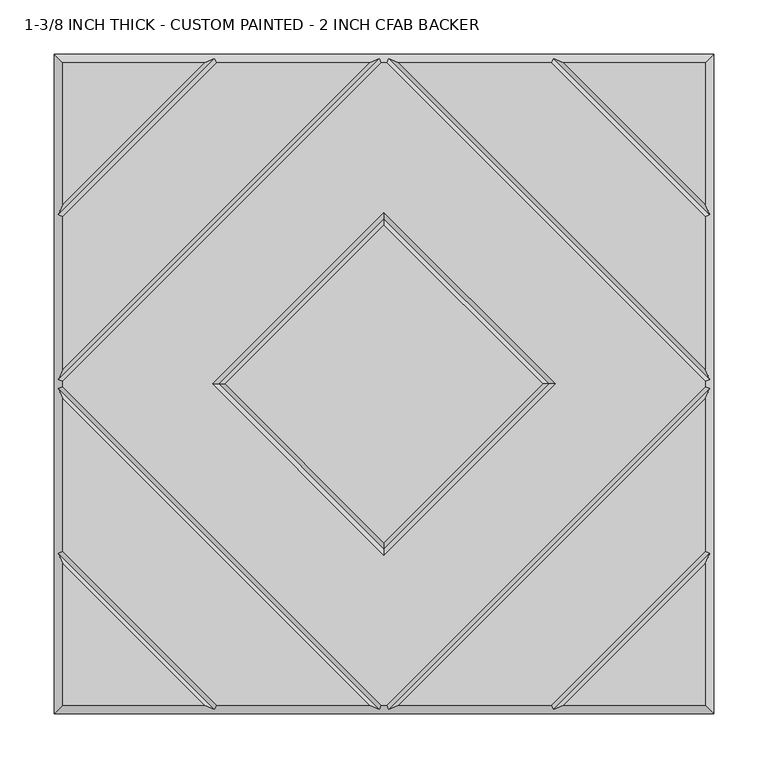
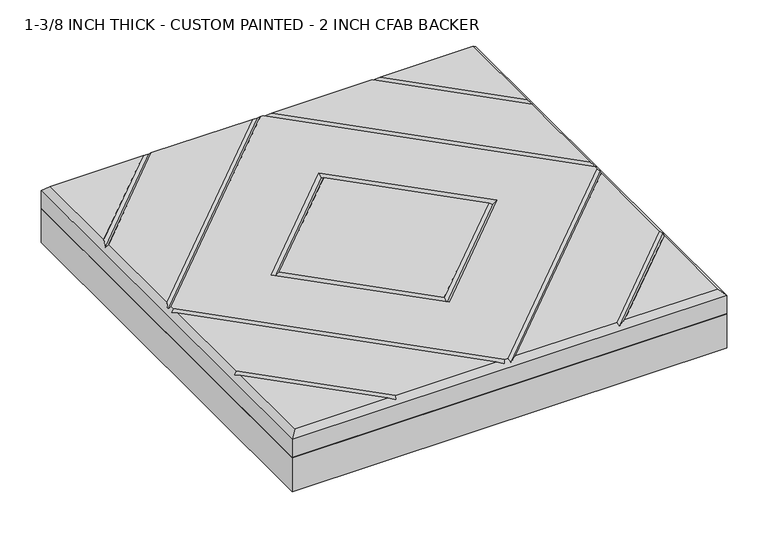
"""IFC4 building model written with IfcOpenShell, lengths in millimetres: proxy geometry, 1-3/8 INCH THICK - CUSTOM PAINTED - 2 INCH CFAB BACKER."""

from ifc_helpers import new_model, si_unit, frame, origin, place, context, project, spatial, polyline, outline, extrude, faceted_brep, source, transform, mapped, element, save


def proxy_1_3_8_inch_thick_custom_painted_2_inch_cfab_backer_86568245(model_context):
    return source(origin(), model_context, "Body", "SolidModel", [
        extrude(outline(polyline([(-304.8, 304.8), (304.8, 304.8), (304.8, -304.8), (-304.8, -304.8), (-304.8, 304.8)])), frame((0.0, 0.0, -50.8), z_axis=(0.0, 0.0, 1.0), x_axis=(1.0, 0.0, 0.0)), (0.0, 0.0, 1.0), 50.8),
        faceted_brep([(296.799, 166.0585868, 34.925), (296.799, 296.799, 34.925), (166.0585868, 296.799, 34.925), (-166.0585868, 296.799, 34.925), (-296.799, 296.799, 34.925), (-296.799, 166.0585868, 34.925), (-2.3434382, -296.799, 34.925), (2.3434382, -296.799, 34.925), (296.799, -2.3434137, 34.925), (296.799, 2.3434632, 34.925), (2.3434141, 296.799, 34.925), (-2.343464, 296.799, 34.925), (-296.799, 2.343464, 34.925), (-296.799, -2.3434137, 34.925), (-158.0575614, 2.54e-05, 34.925), (0.0, 158.0575868, 34.925), (158.0575614, 2.54e-05, 34.925), (0.0, -158.057536, 34.925), (-296.799, -296.799, 34.925), (-166.0590079, -296.799, 34.925), (-296.799, -166.0585721, 34.925), (166.0590079, -296.799, 34.925), (296.799, -296.799, 34.925), (296.799, -166.0585721, 34.925), (-154.743464, 296.799, 34.925), (-296.799, 154.743464, 34.925), (-296.799, 13.6585868, 34.925), (-13.6585868, 296.799, 34.925), (-13.6585605, -296.799, 34.925), (-296.799, -13.6585369, 34.925), (-296.799, -154.7434305, 34.925), (-154.743904, -296.799, 34.925), (296.799, -13.6585369, 34.925), (13.6585605, -296.799, 34.925), (154.743904, -296.799, 34.925), (296.799, -154.7434305, 34.925), (13.6585378, 296.799, 34.925), (296.799, 13.658585, 34.925), (296.799, 154.743464, 34.925), (154.743464, 296.799, 34.925), (0.0, 146.742464, 34.925), (-146.7424386, 2.54e-05, 34.925), (0.0, -146.7424132, 34.925), (146.7424386, 2.54e-05, 34.925), (-304.8, 304.8, 0.0), (304.8, 304.8, 0.0), (304.8, -304.8, 0.0), (-304.8, -304.8, 0.0), (-304.8, -304.8, 26.924), (-304.8, 304.8, 26.924), (304.8, -304.8, 26.924), (304.8, 304.8, 26.924), (-156.4005254, 300.7995, 30.9245), (-4.0005254, 300.7995, 30.9245), (4.0004753, 300.7995, 30.9245), (156.4005254, 300.7995, 30.9245), (-300.7995, -156.4004879, 30.9245), (-300.7995, -4.0004749, 30.9245), (-300.7995, 4.0005254, 30.9245), (-300.7995, 156.4005254, 30.9245), (156.4009693, -300.7995, 30.9245), (4.0004997, -300.7995, 30.9245), (-4.0004997, -300.7995, 30.9245), (-156.4009693, -300.7995, 30.9245), (300.7995, 156.4005254, 30.9245), (300.7995, 4.0005247, 30.9245), (300.7995, -4.0004749, 30.9245), (300.7995, -156.4004879, 30.9245), (0.0, 152.4000254, 30.9245), (-152.4, 2.54e-05, 30.9245), (0.0, -152.3999746, 30.9245), (152.4, 2.54e-05, 30.9245)], [[[0, 1, 2]], [[3, 4, 5]], [[6, 7, 8, 9, 10, 11, 12, 13], [14, 15, 16, 17]], [[18, 19, 20]], [[21, 22, 23]], [[24, 25, 26, 27]], [[28, 29, 30, 31]], [[32, 33, 34, 35]], [[36, 37, 38, 39]], [[40, 41, 42, 43]], [[44, 45, 46, 47]], [[44, 47, 48, 49]], [[47, 46, 50, 48]], [[46, 45, 51, 50]], [[45, 44, 49, 51]], [[49, 4, 3, 52, 24, 27, 53, 11, 10, 54, 36, 39, 55, 2, 1, 51]], [[4, 49, 48, 18, 20, 56, 30, 29, 57, 13, 12, 58, 26, 25, 59, 5]], [[18, 48, 50, 22, 21, 60, 34, 33, 61, 7, 6, 62, 28, 31, 63, 19]], [[51, 1, 0, 64, 38, 37, 65, 9, 8, 66, 32, 35, 67, 23, 22, 50]], [[52, 59, 25, 24]], [[59, 52, 3, 5]], [[53, 58, 12, 11]], [[58, 53, 27, 26]], [[57, 62, 6, 13]], [[62, 57, 29, 28]], [[61, 66, 8, 7]], [[66, 61, 33, 32]], [[65, 54, 10, 9]], [[54, 65, 37, 36]], [[68, 69, 41, 40]], [[69, 68, 15, 14]], [[41, 69, 70, 42]], [[69, 14, 17, 70]], [[42, 70, 71, 43]], [[70, 17, 16, 71]], [[68, 40, 43, 71]], [[15, 68, 71, 16]], [[56, 63, 31, 30]], [[63, 56, 20, 19]], [[67, 60, 21, 23]], [[60, 67, 35, 34]], [[55, 64, 0, 2]], [[64, 55, 39, 38]]]),
    ])


if __name__ == "__main__":
    model = new_model("IFC4")
    model_context = context("Model", 3, world=origin())
    ifc_project = project(units=[si_unit("LENGTHUNIT", "METRE", prefix="MILLI")], contexts=[model_context])
    site = spatial("IfcSite", under=ifc_project)
    building = spatial("IfcBuilding", under=site)
    placement = place(None, origin())
    proxy_1_3_8_inch_thick_custom_painted_2_inch_cfab_backer_shape = proxy_1_3_8_inch_thick_custom_painted_2_inch_cfab_backer_86568245(model_context)
    element("IfcBuildingElementProxy", 1, Name="1-3/8 INCH THICK - CUSTOM PAINTED - 2 INCH CFAB BACKER", ObjectType="1-3/8 INCH THICK - CUSTOM PAINTED - 2 INCH CFAB BACKER", at=placement, inside=building, context=model_context, shape_type="MappedRepresentation", body=[
        mapped(proxy_1_3_8_inch_thick_custom_painted_2_inch_cfab_backer_shape, transform((0.0, 0.0, 0.0), x_axis=(1.0, 0.0, 0.0), y_axis=(0.0, 1.0, 0.0), z_axis=(0.0, 0.0, 1.0))),
    ])
    save(model, "model.ifc")
